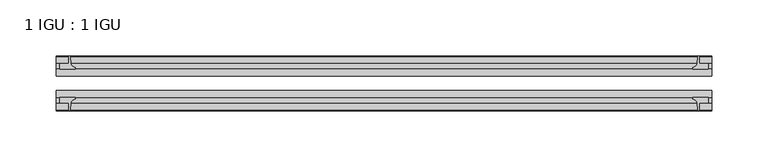
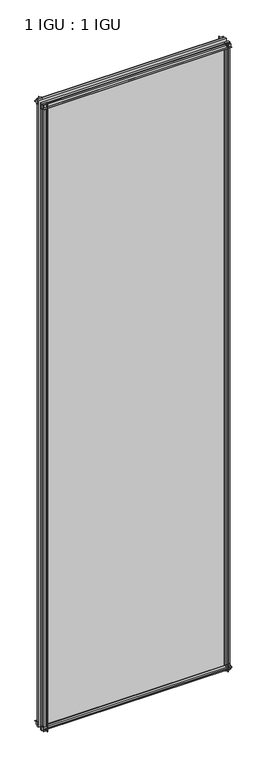
"""IFC4 building model written with IfcOpenShell, lengths in millimetres: plate geometry, 1 IGU : 1 IGU."""

from ifc_helpers import new_model, si_unit, point, frame, frame_2d, origin, place, context, project, spatial, polyline, circle_curve, trimmed, segment, composite_curve, outline, extrude, source, transform, mapped, element, save


def plate_1_igu_1_igu_6cbacdf7(model_context):
    return source(origin(), model_context, "Body", "SweptSolid", [
        extrude(outline(composite_curve([segment(polyline([(-42.3267187, -8.2068385), (-47.0892187, -8.2068385), (-47.0892187, 0.0), (-53.563779, 0.0)]), True, "CONTINUOUS"), segment(trimmed(circle_curve(frame_2d((-53.0328134, 0.3482823)), 0.635), [point((-53.563779, 0.0))], [point((-53.0575397, 0.9828007))], False, "CARTESIAN"), True, "CONTINUOUS"), segment(trimmed(circle_curve(frame_2d((-54.2310045, 31.0958559)), 30.1359106), [point((-53.0575397, 0.9828007))], [point((-47.0834032, 1.8198434))], True, "CARTESIAN"), True, "CONTINUOUS"), segment(trimmed(circle_curve(frame_2d((-48.2159797, 6.4587878)), 4.7752), [point((-47.0834032, 1.8198434))], [point((-43.578416, 5.3205707))], True, "CARTESIAN"), True, "CONTINUOUS"), segment(trimmed(circle_curve(frame_2d((-42.9617187, 5.169212)), 0.635), [point((-43.578416, 5.3205707))], [point((-42.3267187, 5.169212))], False, "CARTESIAN"), True, "CONTINUOUS"), segment(polyline([(-42.3267187, 5.169212), (-42.3267187, -8.2068385)]), True, "CONTINUOUS")], self_intersect=False)), frame((-290.5125, 0.0, 0.0), z_axis=(1.0, 0.0, 0.0), x_axis=(0.0, 1.0, 0.0)), (0.0, 0.0, 1.0), 581.025),
        extrude(outline(composite_curve([segment(polyline([(-16.9267187, -8.2068385), (-16.9267187, 5.169212)]), True, "CONTINUOUS"), segment(trimmed(circle_curve(frame_2d((-16.2917187, 5.169212)), 0.635), [point((-16.9267187, 5.169212))], [point((-15.6750215, 5.3205707))], False, "CARTESIAN"), True, "CONTINUOUS"), segment(trimmed(circle_curve(frame_2d((-11.0374578, 6.4587878)), 4.7752), [point((-15.6750215, 5.3205707))], [point((-12.1700343, 1.8198434))], True, "CARTESIAN"), True, "CONTINUOUS"), segment(trimmed(circle_curve(frame_2d((-5.022433, 31.0958559)), 30.1359106), [point((-12.1700343, 1.8198434))], [point((-6.1958978, 0.9828007))], True, "CARTESIAN"), True, "CONTINUOUS"), segment(trimmed(circle_curve(frame_2d((-6.2206241, 0.3482823)), 0.635), [point((-6.1958978, 0.9828007))], [point((-5.6896585, 0.0))], False, "CARTESIAN"), True, "CONTINUOUS"), segment(polyline([(-5.6896585, 0.0), (-12.1642187, 0.0), (-12.1642187, -8.2068385), (-16.9267187, -8.2068385)]), True, "CONTINUOUS")], self_intersect=False)), frame((-290.5125, 0.0, 0.0), z_axis=(1.0, 0.0, 0.0), x_axis=(0.0, 1.0, 0.0)), (0.0, 0.0, 1.0), 581.025),
        extrude(outline(composite_curve([segment(polyline([(-47.0892188, 2022.475), (-47.0892188, 2030.6818385), (-42.3267188, 2030.6818385), (-42.3267188, 2017.305788)]), True, "CONTINUOUS"), segment(trimmed(circle_curve(frame_2d((-42.9617187, 2017.305788)), 0.635), [point((-42.3267188, 2017.305788))], [point((-43.578416, 2017.1544293))], False, "CARTESIAN"), True, "CONTINUOUS"), segment(trimmed(circle_curve(frame_2d((-48.2159797, 2016.0162122)), 4.7752), [point((-43.578416, 2017.1544293))], [point((-47.0834032, 2020.6551566))], True, "CARTESIAN"), True, "CONTINUOUS"), segment(trimmed(circle_curve(frame_2d((-54.2310045, 1991.3791441)), 30.1359106), [point((-47.0834032, 2020.6551566))], [point((-53.0575397, 2021.4921993))], True, "CARTESIAN"), True, "CONTINUOUS"), segment(trimmed(circle_curve(frame_2d((-53.0328134, 2022.1267177)), 0.635), [point((-53.0575397, 2021.4921993))], [point((-53.563779, 2022.475))], False, "CARTESIAN"), True, "CONTINUOUS"), segment(polyline([(-53.563779, 2022.475), (-47.0892188, 2022.475)]), True, "CONTINUOUS")], self_intersect=False)), frame((-290.5125, 0.0, 0.0), z_axis=(1.0, 0.0, 0.0), x_axis=(0.0, 1.0, 0.0)), (0.0, 0.0, 1.0), 581.025),
        extrude(outline(composite_curve([segment(polyline([(-12.1642187, 2022.475), (-5.6896585, 2022.475)]), True, "CONTINUOUS"), segment(trimmed(circle_curve(frame_2d((-6.2206241, 2022.1267177)), 0.635), [point((-5.6896585, 2022.475))], [point((-6.1958978, 2021.4921993))], False, "CARTESIAN"), True, "CONTINUOUS"), segment(trimmed(circle_curve(frame_2d((-5.022433, 1991.3791441)), 30.1359106), [point((-6.1958978, 2021.4921993))], [point((-12.1700343, 2020.6551566))], True, "CARTESIAN"), True, "CONTINUOUS"), segment(trimmed(circle_curve(frame_2d((-11.0374578, 2016.0162122)), 4.7752), [point((-12.1700343, 2020.6551566))], [point((-15.6750215, 2017.1544293))], True, "CARTESIAN"), True, "CONTINUOUS"), segment(trimmed(circle_curve(frame_2d((-16.2917188, 2017.305788)), 0.635), [point((-15.6750215, 2017.1544293))], [point((-16.9267188, 2017.305788))], False, "CARTESIAN"), True, "CONTINUOUS"), segment(polyline([(-16.9267188, 2017.305788), (-16.9267187, 2030.6818385), (-12.1642187, 2030.6818385), (-12.1642187, 2022.475)]), True, "CONTINUOUS")], self_intersect=False)), frame((-290.5125, 0.0, 0.0), z_axis=(1.0, 0.0, 0.0), x_axis=(0.0, 1.0, 0.0)), (0.0, 0.0, 1.0), 581.025),
        extrude(outline(composite_curve([segment(polyline([(279.4, -5.6896585), (279.4, -12.1642188), (287.6068385, -12.1642188), (287.6068385, -16.9267187), (274.230788, -16.9267187)]), True, "CONTINUOUS"), segment(trimmed(circle_curve(frame_2d((274.230788, -16.2917188)), 0.635), [point((274.230788, -16.9267187))], [point((274.0794293, -15.6750215))], False, "CARTESIAN"), True, "CONTINUOUS"), segment(trimmed(circle_curve(frame_2d((272.9412122, -11.0374578)), 4.7752), [point((274.0794293, -15.6750215))], [point((277.5801566, -12.1700343))], True, "CARTESIAN"), True, "CONTINUOUS"), segment(trimmed(circle_curve(frame_2d((248.3041441, -5.022433)), 30.1359106), [point((277.5801566, -12.1700343))], [point((278.4171993, -6.1958978))], True, "CARTESIAN"), True, "CONTINUOUS"), segment(trimmed(circle_curve(frame_2d((279.0517177, -6.2206241)), 0.635), [point((278.4171993, -6.1958978))], [point((279.4, -5.6896585))], False, "CARTESIAN"), True, "CONTINUOUS")], self_intersect=False)), frame((0.0, 0.0, -11.1125), z_axis=(0.0, 0.0, 1.0), x_axis=(1.0, 0.0, 0.0)), (0.0, 0.0, 1.0), 2044.7),
        extrude(outline(composite_curve([segment(trimmed(circle_curve(frame_2d((279.0517177, -53.0328134)), 0.635), [point((279.4, -53.563779))], [point((278.4171993, -53.0575397))], False, "CARTESIAN"), True, "CONTINUOUS"), segment(trimmed(circle_curve(frame_2d((248.3041441, -54.2310045)), 30.1359106), [point((278.4171993, -53.0575397))], [point((277.5801566, -47.0834032))], True, "CARTESIAN"), True, "CONTINUOUS"), segment(trimmed(circle_curve(frame_2d((272.9412122, -48.2159797)), 4.7752), [point((277.5801566, -47.0834032))], [point((274.0794293, -43.578416))], True, "CARTESIAN"), True, "CONTINUOUS"), segment(trimmed(circle_curve(frame_2d((274.230788, -42.9617187)), 0.635), [point((274.0794293, -43.578416))], [point((274.230788, -42.3267187))], False, "CARTESIAN"), True, "CONTINUOUS"), segment(polyline([(274.230788, -42.3267187), (287.6068385, -42.3267187), (287.6068385, -47.0892188), (279.4, -47.0892188), (279.4, -53.563779)]), True, "CONTINUOUS")], self_intersect=False)), frame((0.0, 0.0, -11.1125), z_axis=(0.0, 0.0, 1.0), x_axis=(1.0, 0.0, 0.0)), (0.0, 0.0, 1.0), 2044.7),
        extrude(outline(composite_curve([segment(trimmed(circle_curve(frame_2d((-279.0517177, -6.2206241)), 0.635), [point((-279.4, -5.6896585))], [point((-278.4171993, -6.1958978))], False, "CARTESIAN"), True, "CONTINUOUS"), segment(trimmed(circle_curve(frame_2d((-248.3041441, -5.022433)), 30.1359106), [point((-278.4171993, -6.1958978))], [point((-277.5801566, -12.1700343))], True, "CARTESIAN"), True, "CONTINUOUS"), segment(trimmed(circle_curve(frame_2d((-272.9412122, -11.0374578)), 4.7752), [point((-277.5801566, -12.1700343))], [point((-274.0794293, -15.6750215))], True, "CARTESIAN"), True, "CONTINUOUS"), segment(trimmed(circle_curve(frame_2d((-274.230788, -16.2917187)), 0.635), [point((-274.0794293, -15.6750215))], [point((-274.230788, -16.9267187))], False, "CARTESIAN"), True, "CONTINUOUS"), segment(polyline([(-274.230788, -16.9267187), (-287.6068385, -16.9267187), (-287.6068385, -12.1642187), (-279.4, -12.1642187), (-279.4, -5.6896585)]), True, "CONTINUOUS")], self_intersect=False)), frame((0.0, 0.0, -11.1125), z_axis=(0.0, 0.0, 1.0), x_axis=(1.0, 0.0, 0.0)), (0.0, 0.0, 1.0), 2044.7),
        extrude(outline(composite_curve([segment(polyline([(-279.4, -53.563779), (-279.4, -47.0892187), (-287.6068385, -47.0892187), (-287.6068385, -42.3267188), (-274.230788, -42.3267188)]), True, "CONTINUOUS"), segment(trimmed(circle_curve(frame_2d((-274.230788, -42.9617187)), 0.635), [point((-274.230788, -42.3267188))], [point((-274.0794293, -43.578416))], False, "CARTESIAN"), True, "CONTINUOUS"), segment(trimmed(circle_curve(frame_2d((-272.9412122, -48.2159797)), 4.7752), [point((-274.0794293, -43.578416))], [point((-277.5801566, -47.0834032))], True, "CARTESIAN"), True, "CONTINUOUS"), segment(trimmed(circle_curve(frame_2d((-248.3041441, -54.2310045)), 30.1359106), [point((-277.5801566, -47.0834032))], [point((-278.4171993, -53.0575397))], True, "CARTESIAN"), True, "CONTINUOUS"), segment(trimmed(circle_curve(frame_2d((-279.0517177, -53.0328134)), 0.635), [point((-278.4171993, -53.0575397))], [point((-279.4, -53.563779))], False, "CARTESIAN"), True, "CONTINUOUS")], self_intersect=False)), frame((0.0, 0.0, -11.1125), z_axis=(0.0, 0.0, 1.0), x_axis=(1.0, 0.0, 0.0)), (0.0, 0.0, 1.0), 2044.7),
        extrude(outline(polyline([(290.5125, -16.9267187), (290.5125, -23.2259187), (-290.5125, -23.2259187), (-290.5125, -16.9267187), (290.5125, -16.9267187)])), frame((0.0, 0.0, -11.1125), z_axis=(0.0, 0.0, 1.0), x_axis=(1.0, 0.0, 0.0)), (0.0, 0.0, 1.0), 2044.7),
        extrude(outline(polyline([(290.5125, -36.0275187), (290.5125, -42.3267187), (-290.5125, -42.3267187), (-290.5125, -36.0275187), (290.5125, -36.0275187)])), frame((0.0, 0.0, -11.1125), z_axis=(0.0, 0.0, 1.0), x_axis=(1.0, 0.0, 0.0)), (0.0, 0.0, 1.0), 2044.7),
    ])


if __name__ == "__main__":
    model = new_model("IFC4")
    model_context = context("Model", 3, world=origin())
    ifc_project = project(units=[si_unit("LENGTHUNIT", "METRE", prefix="MILLI")], contexts=[model_context])
    site = spatial("IfcSite", under=ifc_project)
    building = spatial("IfcBuilding", under=site)
    placement = place(None, origin())
    plate_1_igu_1_igu_shape = plate_1_igu_1_igu_6cbacdf7(model_context)
    element("IfcPlate", 1, ObjectType="1 IGU : 1 IGU", at=placement, inside=building, context=model_context, shape_type="MappedRepresentation", body=[
        mapped(plate_1_igu_1_igu_shape, transform((0.0, 0.0, 0.0), x_axis=(1.0, 0.0, 0.0), y_axis=(0.0, 1.0, 0.0), z_axis=(0.0, 0.0, 1.0))),
    ])
    save(model, "model.ifc")
